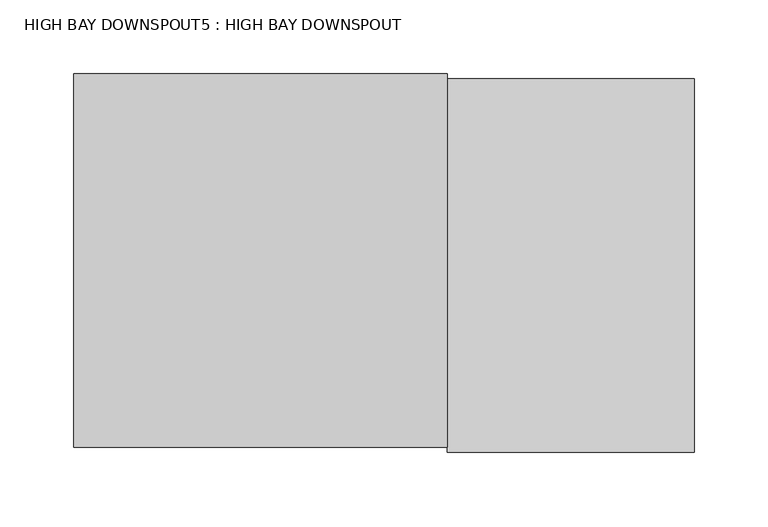
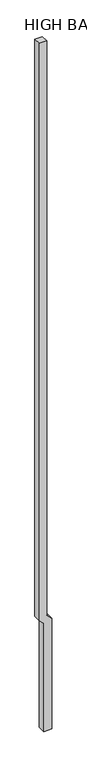
"""IFC4 building model written with IfcOpenShell, lengths in millimetres: proxy geometry, HIGH BAY DOWNSPOUT5 : HIGH BAY DOWNSPOUT."""

from ifc_helpers import new_model, si_unit, frame, origin, place, context, project, spatial, polyline, outline, extrude, source, transform, mapped, element, save


def high_bay_downspout5_high_bay_downspout_64662365(model_context):
    return source(origin(), model_context, "Body", "SweptSolid", [
        extrude(outline(polyline([(3810.0, 448356.4273809), (3657.6, 448508.8273809), (-203.2, 448508.8273809), (-203.2, 448778.7023809), (3746.9352448, 448778.7023809), (3915.2102448, 448610.4273809), (24405.8137487, 448610.4273809), (24405.8137487, 448356.4273809), (3810.0, 448356.4273809)])), frame((0.0, -22077.2867692, 0.0), z_axis=(0.0, 1.0, 0.0), x_axis=(0.0, 0.0, 1.0)), (0.0, 0.0, 1.0), 254.0),
    ])


if __name__ == "__main__":
    model = new_model("IFC4")
    model_context = context("Model", 3, world=origin())
    ifc_project = project(units=[si_unit("LENGTHUNIT", "METRE", prefix="MILLI")], contexts=[model_context])
    site = spatial("IfcSite", under=ifc_project)
    building = spatial("IfcBuilding", under=site)
    placement = place(None, origin())
    high_bay_downspout5_high_bay_downspout_shape = high_bay_downspout5_high_bay_downspout_64662365(model_context)
    element("IfcBuildingElementProxy", 1, Name="HIGH BAY DOWNSPOUT5 : HIGH BAY DOWNSPOUT", ObjectType="HIGH BAY DOWNSPOUT5 : HIGH BAY DOWNSPOUT", at=placement, inside=building, context=model_context, shape_type="MappedRepresentation", body=[
        mapped(high_bay_downspout5_high_bay_downspout_shape, transform((0.0, 0.0, 0.0), x_axis=(1.0, 0.0, 0.0), y_axis=(0.0, 1.0, 0.0), z_axis=(0.0, 0.0, 1.0))),
    ])
    save(model, "model.ifc")
